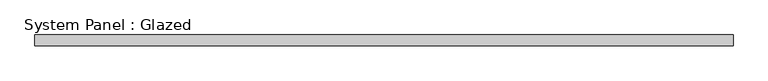
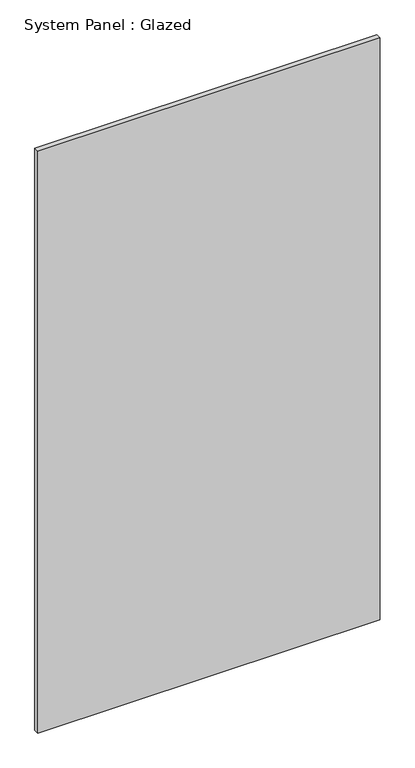
"""IFC4 building model written with IfcOpenShell, lengths in millimetres: plate geometry, System Panel : Glazed."""

from ifc_helpers import new_model, si_unit, origin, origin_with_axes, place, context, project, spatial, polyline, outline, extrude, source, transform, mapped, element, save


def system_panel_glazed_00f15352(model_context):
    return source(origin(), model_context, "Body", "SweptSolid", [
        extrude(outline(polyline([(821.5, -37.5), (-821.5, -37.5), (-821.5, -12.5), (821.5, -12.5), (821.5, -37.5)])), origin_with_axes(), (0.0, 0.0, 1.0), 2950.0),
    ])


if __name__ == "__main__":
    model = new_model("IFC4")
    model_context = context("Model", 3, world=origin())
    ifc_project = project(units=[si_unit("LENGTHUNIT", "METRE", prefix="MILLI")], contexts=[model_context])
    site = spatial("IfcSite", under=ifc_project)
    building = spatial("IfcBuilding", under=site)
    placement = place(None, origin())
    system_panel_glazed_shape = system_panel_glazed_00f15352(model_context)
    element("IfcPlate", 1, ObjectType="System Panel : Glazed", at=placement, inside=building, context=model_context, shape_type="MappedRepresentation", body=[
        mapped(system_panel_glazed_shape, transform((0.0, 0.0, 0.0), x_axis=(1.0, 0.0, 0.0), y_axis=(0.0, 1.0, 0.0), z_axis=(0.0, 0.0, 1.0))),
    ])
    save(model, "model.ifc")
